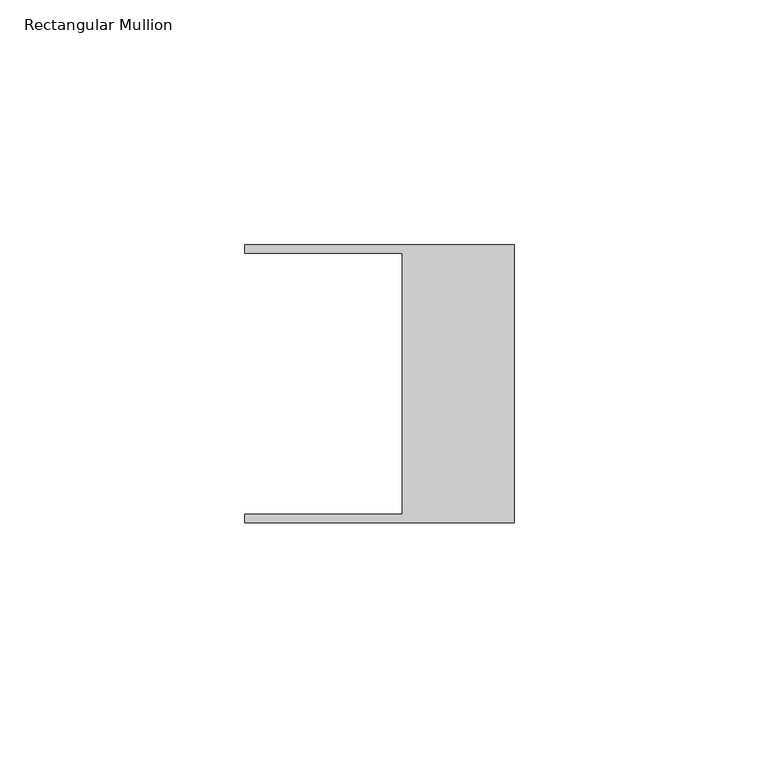
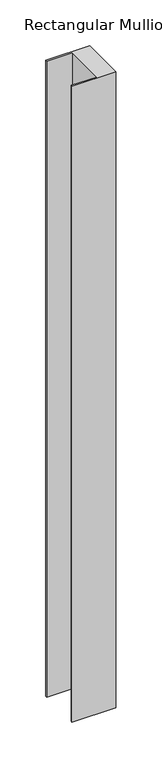
"""IFC4 building model written with IfcOpenShell, lengths in millimetres: member geometry, Rectangular Mullion."""

from ifc_helpers import new_model, si_unit, frame, origin, place, context, project, spatial, polyline, outline, extrude, source, transform, mapped, element, save


def rectangular_mullion_4affc656(model_context):
    return source(origin(), model_context, "Body", "SweptSolid", [
        extrude(outline(polyline([(-55.118, -26.67), (-22.86, -26.67), (-22.86, 26.67), (-55.118, 26.67), (-55.118, 28.448), (0.0, 28.448), (0.0, -28.448), (-55.118, -28.448), (-55.118, -26.67)])), frame((0.0, 0.0, -846.0998171), z_axis=(0.0, 0.0, 1.0), x_axis=(1.0, 0.0, 0.0)), (0.0, 0.0, 1.0), 846.0998171),
    ])


if __name__ == "__main__":
    model = new_model("IFC4")
    model_context = context("Model", 3, world=origin())
    ifc_project = project(units=[si_unit("LENGTHUNIT", "METRE", prefix="MILLI")], contexts=[model_context])
    site = spatial("IfcSite", under=ifc_project)
    building = spatial("IfcBuilding", under=site)
    placement = place(None, origin())
    rectangular_mullion_shape = rectangular_mullion_4affc656(model_context)
    element("IfcMember", 1, ObjectType="Rectangular Mullion", at=placement, inside=building, context=model_context, shape_type="MappedRepresentation", body=[
        mapped(rectangular_mullion_shape, transform((0.0, 0.0, 0.0), x_axis=(1.0, 0.0, 0.0), y_axis=(0.0, 1.0, 0.0), z_axis=(0.0, 0.0, 1.0))),
    ])
    save(model, "model.ifc")
